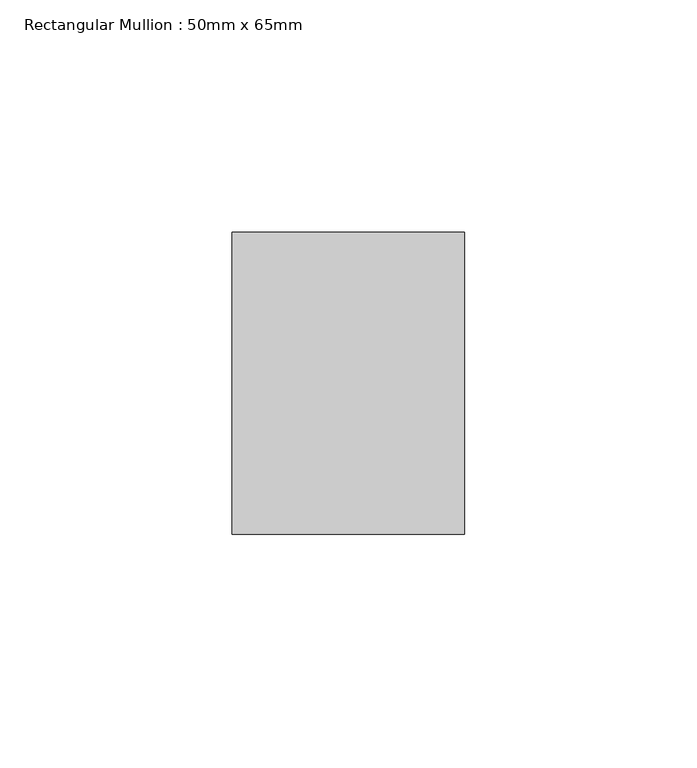
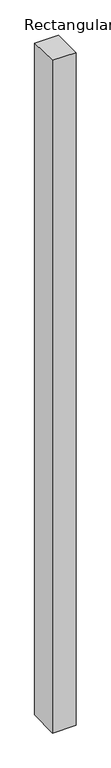
"""IFC4 building model written with IfcOpenShell, lengths in millimetres: member geometry, Rectangular Mullion : 50mm x 65mm."""

from ifc_helpers import new_model, si_unit, origin, place, context, project, spatial, faceted_brep, source, transform, mapped, element, save


def rectangular_mullion_50mm_x_65mm_2084ccf0(model_context):
    return source(origin(), model_context, "Body", "Brep", [
        faceted_brep([(-25.0, 32.5, -0.5683171), (25.0, 32.5, -0.5683229), (25.0, 32.5, -1499.2870592), (-25.0, 32.5, -1499.2870666), (-25.0, -32.5, 0.5683229), (-25.0, -32.5, -1500.712483), (25.0, -32.5, 0.5683171), (25.0, -32.5, -1500.7124756)], [[[0, 1, 2, 3]], [[4, 0, 3, 5]], [[6, 4, 5, 7]], [[1, 6, 7, 2]], [[1, 0, 4, 6]], [[2, 7, 5, 3]]]),
    ])


if __name__ == "__main__":
    model = new_model("IFC4")
    model_context = context("Model", 3, world=origin())
    ifc_project = project(units=[si_unit("LENGTHUNIT", "METRE", prefix="MILLI")], contexts=[model_context])
    site = spatial("IfcSite", under=ifc_project)
    building = spatial("IfcBuilding", under=site)
    placement = place(None, origin())
    rectangular_mullion_50mm_x_65mm_shape = rectangular_mullion_50mm_x_65mm_2084ccf0(model_context)
    element("IfcMember", 1, ObjectType="Rectangular Mullion : 50mm x 65mm", at=placement, inside=building, context=model_context, shape_type="MappedRepresentation", body=[
        mapped(rectangular_mullion_50mm_x_65mm_shape, transform((0.0, 0.0, 0.0), x_axis=(1.0, 0.0, 0.0), y_axis=(0.0, 1.0, 0.0), z_axis=(0.0, 0.0, 1.0))),
    ])
    save(model, "model.ifc")
